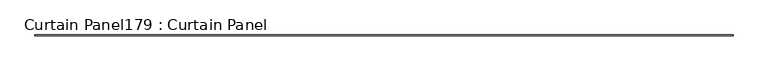
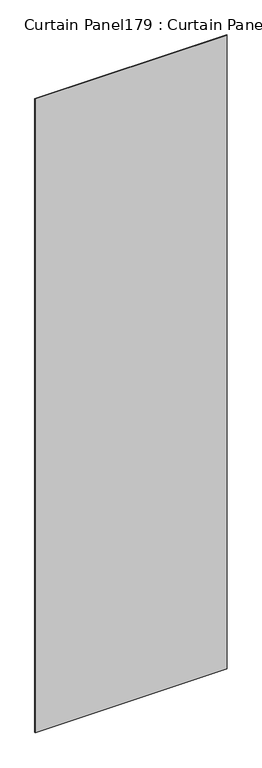
"""IFC4 building model written with IfcOpenShell, lengths in millimetres: plate geometry, Curtain Panel179 : Curtain Panel."""

from ifc_helpers import new_model, si_unit, frame, origin, place, context, project, spatial, polyline, outline, extrude, source, transform, mapped, element, save


def curtain_panel179_curtain_panel_97d72685(model_context):
    return source(origin(), model_context, "Body", "SweptSolid", [
        extrude(outline(polyline([(541538.1877972, 2657.4439437), (535429.9957972, 2657.4439437), (535429.9957972, 2663.7939437), (541538.1877972, 2663.7939437), (541538.1877972, 2657.4439437)])), frame((0.0, 0.0, 4959.7989371), z_axis=(0.0, 0.0, 1.0), x_axis=(1.0, 0.0, 0.0)), (0.0, 0.0, 1.0), 21325.4152256),
    ])


if __name__ == "__main__":
    model = new_model("IFC4")
    model_context = context("Model", 3, world=origin())
    ifc_project = project(units=[si_unit("LENGTHUNIT", "METRE", prefix="MILLI")], contexts=[model_context])
    site = spatial("IfcSite", under=ifc_project)
    building = spatial("IfcBuilding", under=site)
    placement = place(None, origin())
    curtain_panel179_curtain_panel_shape = curtain_panel179_curtain_panel_97d72685(model_context)
    element("IfcPlate", 1, ObjectType="Curtain Panel179 : Curtain Panel", at=placement, inside=building, context=model_context, shape_type="MappedRepresentation", body=[
        mapped(curtain_panel179_curtain_panel_shape, transform((0.0, 0.0, 0.0), x_axis=(1.0, 0.0, 0.0), y_axis=(0.0, 1.0, 0.0), z_axis=(0.0, 0.0, 1.0))),
    ])
    save(model, "model.ifc")
